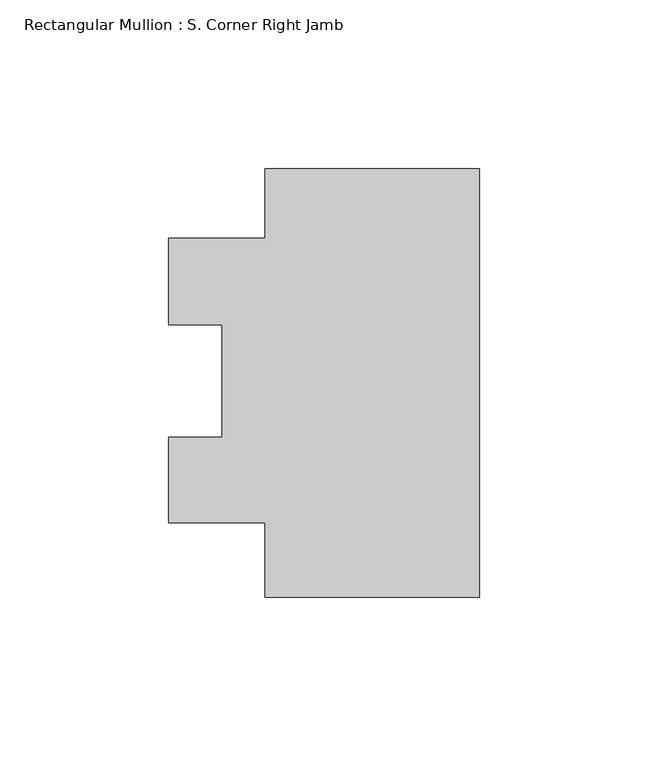
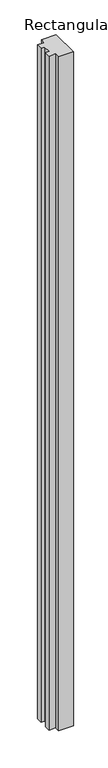
"""IFC4 building model written with IfcOpenShell, lengths in millimetres: member geometry, Rectangular Mullion : S. Corner Right Jamb."""

import ifcopenshell
import ifcopenshell.guid

model = None  # the IFC model being written
_history = None  # IfcOwnerHistory: only IFC2X3 demands one
_inside = {}  # id of a spatial element -> (the spatial element, [elements in it])
_under = {}  # id of a project, library or spatial element -> (it, [spatial elements below it])
_declared = {}  # id of a project -> (the project, [libraries it declares])
_typed = {}  # id of a type object -> (the type object, [elements of that type])
_made_of = {}  # id of a material, layer set ... -> (it, [elements and type objects made of it])


def new_model(schema):
    """Start an empty IFC model of exactly this schema.

    Asked for "IFC4X3", IfcOpenShell would pick the latest addendum, in which some entities
    have other attributes; the version numbers below select the first issue.
    IFC2X3 requires an IfcOwnerHistory on every rooted entity: one is made here for all.
    """
    global model, _history
    if schema == "IFC4X3":
        model = ifcopenshell.file(schema_version=(4, 3, 0, 0))
    else:
        model = ifcopenshell.file(schema=schema)
    _inside.clear()
    _under.clear()
    _declared.clear()
    _typed.clear()
    _made_of.clear()
    _history = None
    if model.schema == "IFC2X3":
        org = make("IfcOrganization", Name="unknown")
        user = make(
            "IfcPersonAndOrganization",
            ThePerson=make("IfcPerson", FamilyName="unknown"),
            TheOrganization=org,
        )
        app = make(
            "IfcApplication",
            ApplicationDeveloper=org,
            Version="unknown",
            ApplicationFullName="unknown",
            ApplicationIdentifier="unknown",
        )
        _history = make(
            "IfcOwnerHistory",
            OwningUser=user,
            OwningApplication=app,
            ChangeAction="ADDED",
            CreationDate=0,
        )
    return model


def make(cls, **values):
    """One entity of the class cls with the attributes given. An attribute that is None is left unset."""
    return model.create_entity(
        cls, **{name: value for name, value in values.items() if value is not None}
    )


def rooted(cls, **values):
    """An entity with a GlobalId (a new one), such as an element, a storey or a relation."""
    return make(cls, GlobalId=ifcopenshell.guid.new(), OwnerHistory=_history, **values)


def si_unit(unit_type, name, prefix=None):
    """IfcSIUnit, for example si_unit("LENGTHUNIT", "METRE", prefix="MILLI")."""
    return make("IfcSIUnit", UnitType=unit_type, Prefix=prefix, Name=name)


def assignment(units):
    """IfcUnitAssignment: the units of a project."""
    return None if units is None else make("IfcUnitAssignment", Units=units)


def point(xyz):
    """IfcCartesianPoint."""
    return None if xyz is None else make("IfcCartesianPoint", Coordinates=xyz)


def direction(xyz):
    """IfcDirection."""
    return None if xyz is None else make("IfcDirection", DirectionRatios=xyz)


def frame(location, z_axis=None, x_axis=None):
    """IfcAxis2Placement3D, a coordinate frame: its origin and axes. An axis left out is left unset."""
    return make(
        "IfcAxis2Placement3D",
        Location=point(location),
        Axis=direction(z_axis),
        RefDirection=direction(x_axis),
    )


def origin():
    """The frame at (0, 0, 0) with its axes left unset."""
    return frame((0.0, 0.0, 0.0))


def place(relative_to, where):
    """IfcLocalPlacement: puts the frame where relative to a parent placement (None: the world)."""
    return make(
        "IfcLocalPlacement", PlacementRelTo=relative_to, RelativePlacement=where
    )


def context(
    kind, dimensions, precision=None, world=None, true_north=None, identifier=None
):
    """IfcGeometricRepresentationContext, for example the 3D "Model" context."""
    return make(
        "IfcGeometricRepresentationContext",
        ContextIdentifier=identifier,
        ContextType=kind,
        CoordinateSpaceDimension=dimensions,
        Precision=precision,
        WorldCoordinateSystem=world,
        TrueNorth=true_north,
    )


def project(units=None, contexts=None):
    """IfcProject with its units and contexts."""
    return rooted(
        "IfcProject",
        Name="project",
        RepresentationContexts=contexts,
        UnitsInContext=assignment(units),
    )


def spatial(cls, under=None, at=None, **own):
    """A site, building, storey or space (cls), placed at a placement, below another one or the project."""
    s = rooted(cls, ObjectPlacement=at, **own)
    if under is not None:
        _under.setdefault(under.id(), (under, []))[1].append(s)
    return s


def polyline(points):
    """IfcPolyline through the points."""
    return make("IfcPolyline", Points=[point(p) for p in points])


def outline(outer, holes=None, kind="AREA"):
    """IfcArbitraryClosedProfileDef: a profile drawn as a closed curve; with holes, ...WithVoids."""
    if holes is None:
        return make("IfcArbitraryClosedProfileDef", ProfileType=kind, OuterCurve=outer)
    return make(
        "IfcArbitraryProfileDefWithVoids",
        ProfileType=kind,
        OuterCurve=outer,
        InnerCurves=holes,
    )


def extrude(swept, where, along, depth):
    """IfcExtrudedAreaSolid: the profile swept, set in the frame where, extruded along a direction by depth."""
    return make(
        "IfcExtrudedAreaSolid",
        SweptArea=swept,
        Position=where,
        ExtrudedDirection=direction(along),
        Depth=depth,
    )


def shape(context_of_items, identifier, shape_type, items):
    """IfcShapeRepresentation: the items that make up one representation, for example the "Body"."""
    return make(
        "IfcShapeRepresentation",
        ContextOfItems=context_of_items,
        RepresentationIdentifier=identifier,
        RepresentationType=shape_type,
        Items=items,
    )


def source(mapping_origin, context_of_items, identifier, shape_type, items):
    """IfcRepresentationMap: a shape defined once, which mapped items show again and again."""
    return make(
        "IfcRepresentationMap",
        MappingOrigin=mapping_origin,
        MappedRepresentation=shape(context_of_items, identifier, shape_type, items),
    )


def transform(
    local_origin,
    x_axis=None,
    y_axis=None,
    z_axis=None,
    scale=None,
    scale2=None,
    scale3=None,
    uniform=True,
):
    """IfcCartesianTransformationOperator3D, or its non-uniform kind. x_axis, y_axis, z_axis: its Axis1, 2, 3."""
    if uniform:
        return make(
            "IfcCartesianTransformationOperator3D",
            Axis1=direction(x_axis),
            Axis2=direction(y_axis),
            LocalOrigin=point(local_origin),
            Scale=scale,
            Axis3=direction(z_axis),
        )
    return make(
        "IfcCartesianTransformationOperator3DnonUniform",
        Axis1=direction(x_axis),
        Axis2=direction(y_axis),
        LocalOrigin=point(local_origin),
        Scale=scale,
        Axis3=direction(z_axis),
        Scale2=scale2,
        Scale3=scale3,
    )


def mapped(mapping_source, mapping_target):
    """IfcMappedItem: shows the shape of a source again, moved by a transform."""
    return make(
        "IfcMappedItem", MappingSource=mapping_source, MappingTarget=mapping_target
    )


def made_of(thing, what):
    """Note that an element or type object is made of a material, layer set ...; save() writes the relation."""
    if what is not None:
        _made_of.setdefault(what.id(), (what, []))[1].append(thing)
    return thing


def element(
    cls,
    number,
    at=None,
    inside=None,
    cuts=None,
    type_object=None,
    material=None,
    context=None,
    identifier="Body",
    shape_type=None,
    held_by="IfcProductDefinitionShape",
    body=None,
    shapes=None,
    **own,
):
    """One element of the class cls, such as IfcWall. Its Tag is "e" and its number.

    at: its placement. inside: the storey or other place that contains it. cuts: it is an
    opening in that element (IfcRelVoidsElement). A single representation is given by context,
    identifier, shape_type and body (its items); several are given by shapes. held_by: the class
    of the entity that holds the representations. save() writes the other relations.
    """
    e = rooted(cls, Tag="e%d" % number, ObjectPlacement=at, **own)
    if body is not None:
        shapes = [shape(context, identifier, shape_type, body)]
    if shapes is not None:
        e.Representation = make(held_by, Representations=shapes)
    if inside is not None:
        _inside.setdefault(inside.id(), (inside, []))[1].append(e)
    if cuts is not None:
        rooted(
            "IfcRelVoidsElement", RelatingBuildingElement=cuts, RelatedOpeningElement=e
        )
    if type_object is not None:
        _typed.setdefault(type_object.id(), (type_object, []))[1].append(e)
    return made_of(e, material)


def aggregate(whole, parts):
    """IfcRelAggregates: a whole, such as a stair, and the parts it consists of."""
    return rooted("IfcRelAggregates", RelatingObject=whole, RelatedObjects=parts)


def save(model, path):
    """Write the relations noted so far, then the file.

    IfcRelAggregates (storeys below a building ...), IfcRelContainedInSpatialStructure (elements
    in a storey), IfcRelDefinesByType, IfcRelAssociatesMaterial and IfcRelDeclares: one each for
    every whole, place, type object, material and project.
    """
    for whole, parts in _under.values():
        aggregate(whole, parts)
    for where, things in _inside.values():
        rooted(
            "IfcRelContainedInSpatialStructure",
            RelatedElements=things,
            RelatingStructure=where,
        )
    for kind, things in _typed.values():
        rooted("IfcRelDefinesByType", RelatedObjects=things, RelatingType=kind)
    for what, things in _made_of.values():
        rooted("IfcRelAssociatesMaterial", RelatedObjects=things, RelatingMaterial=what)
    for by, libraries in _declared.values():
        rooted("IfcRelDeclares", RelatingContext=by, RelatedDefinitions=libraries)
    model.write(path)


def rectangular_mullion_s_corner_right_jamb_264b8009(model_context):
    return source(origin(), model_context, "Body", "SweptSolid", [
        extrude(outline(polyline([(-63.5, -80.97072), (-63.5, -58.84732), (-92.075, -58.84732), (-92.075, -33.5166513), (-76.2, -33.5166513), (-76.2, -0.15363), (-92.075, -0.15363), (-92.075, 25.48068), (-63.5, 25.48068), (-63.5, 46.02928), (0.0, 46.02928), (0.0, -80.97072), (-63.5, -80.97072)])), frame((0.0, 0.0, -3048.0), z_axis=(0.0, 0.0, 1.0), x_axis=(1.0, 0.0, 0.0)), (0.0, 0.0, 1.0), 3048.0),
    ])


if __name__ == "__main__":
    model = new_model("IFC4")
    model_context = context("Model", 3, world=origin())
    ifc_project = project(units=[si_unit("LENGTHUNIT", "METRE", prefix="MILLI")], contexts=[model_context])
    site = spatial("IfcSite", under=ifc_project)
    building = spatial("IfcBuilding", under=site)
    placement = place(None, origin())
    rectangular_mullion_s_corner_right_jamb_shape = rectangular_mullion_s_corner_right_jamb_264b8009(model_context)
    element("IfcMember", 1, ObjectType="Rectangular Mullion : S. Corner Right Jamb", at=placement, inside=building, context=model_context, shape_type="MappedRepresentation", body=[
        mapped(rectangular_mullion_s_corner_right_jamb_shape, transform((0.0, 0.0, 0.0), x_axis=(1.0, 0.0, 0.0), y_axis=(0.0, 1.0, 0.0), z_axis=(0.0, 0.0, 1.0))),
    ])
    save(model, "model.ifc")
